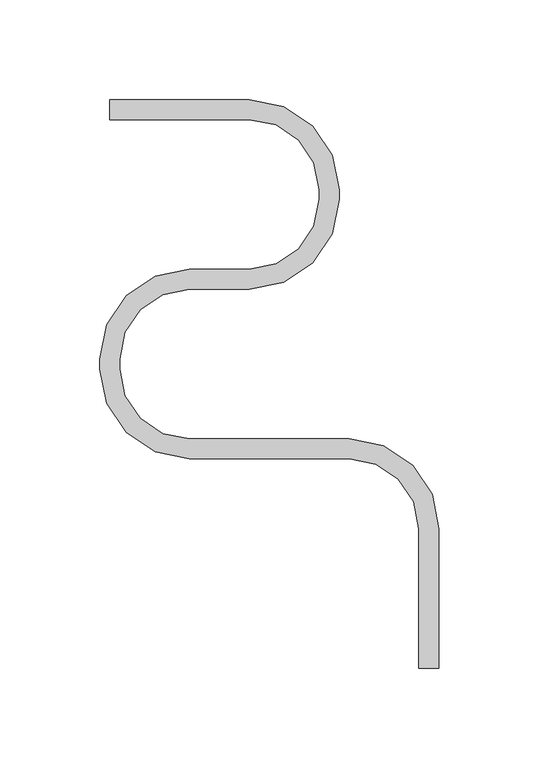
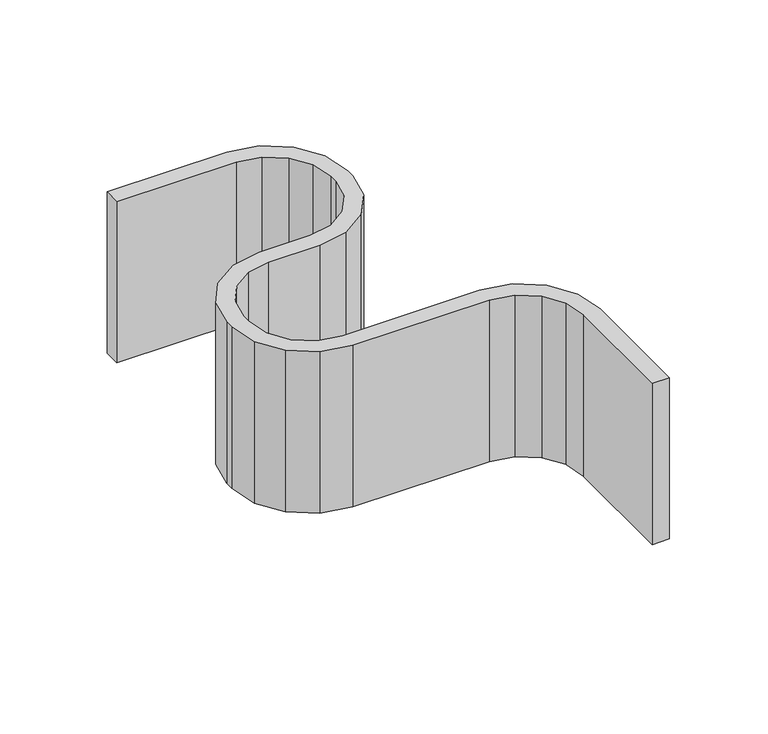
"""IFC4 building model written with IfcOpenShell, lengths in millimetres: proxy geometry."""

from ifc_helpers import new_model, si_unit, frame, origin, place, context, project, spatial, polyline, outline, extrude, source, transform, mapped, element, save


def structural_framing_2aa13731(model_context):
    return source(origin(), model_context, "Body", "SweptSolid", [
        extrude(outline(polyline([(154.9999992, -210.0001607), (152.3359098, -196.606547), (144.7492058, -185.2518925), (133.3948389, -177.6647578), (120.0013263, -175.0001606), (40.0003911, -174.997127), (22.7806451, -171.5714169), (8.1824306, -161.8170704), (-1.5720427, -147.2189407), (-4.9979025, -129.9992244), (-4.9981354, -125.0020968), (-1.5733164, -107.7806982), (8.1813179, -93.1809358), (22.7806258, -83.4256211), (40.0018647, -79.9999994), (70.0012384, -79.9999995), (83.3949083, -77.3358869), (94.7495927, -69.74912), (102.3367112, -58.3946706), (105.0012385, -45.0010832), (105.0013933, -40.0010836), (102.337488, -26.6068307), (94.7505138, -15.2516458), (83.3955638, -7.66432), (70.0013934, -5.0), (5e-07, -5.0000003), (5e-07, 4.9999997), (70.0013933, 5.0), (87.2224696, 1.5744457), (101.8216911, -8.1806874), (111.5763722, -22.7802109), (115.0013933, -40.0013932), (115.0012385, -45.0013928), (111.5754176, -62.2217194), (101.8205511, -76.8202973), (87.2216711, -86.5747118), (70.0012384, -89.9999995), (40.0018647, -89.9999994), (26.6075677, -92.6643718), (15.2525505, -100.2518388), (7.6656127, -111.6072096), (5.0018646, -125.0016307), (5.0020975, -129.9987584), (7.6666551, -143.391871), (15.2534677, -154.7459719), (26.6076345, -162.3326858), (40.0007703, -164.997127), (120.0017055, -165.0001606), (137.221936, -168.4260714), (151.8204077, -178.1809587), (161.5747414, -192.7798003), (164.9999992, -210.0001607), (164.9999989, -280.0000007), (154.9999989, -280.0000006), (154.9999992, -210.0001607)])), frame((0.0, 0.0, -50.0), z_axis=(0.0, 0.0, 1.0), x_axis=(1.0, 0.0, 0.0)), (0.0, 0.0, 1.0), 100.0),
    ])


if __name__ == "__main__":
    model = new_model("IFC4")
    model_context = context("Model", 3, world=origin())
    ifc_project = project(units=[si_unit("LENGTHUNIT", "METRE", prefix="MILLI")], contexts=[model_context])
    site = spatial("IfcSite", under=ifc_project)
    building = spatial("IfcBuilding", under=site)
    placement = place(None, origin())
    structural_framing_shape = structural_framing_2aa13731(model_context)
    element("IfcBuildingElementProxy", 1, Name="Structural Framing", at=placement, inside=building, context=model_context, shape_type="MappedRepresentation", body=[
        mapped(structural_framing_shape, transform((0.0, 0.0, 0.0), x_axis=(1.0, 0.0, 0.0), y_axis=(0.0, 1.0, 0.0), z_axis=(0.0, 0.0, 1.0))),
    ])
    save(model, "model.ifc")
